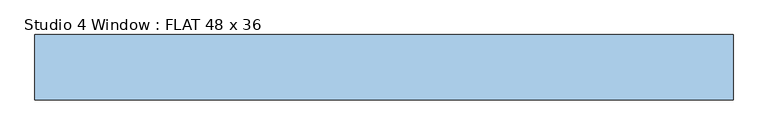
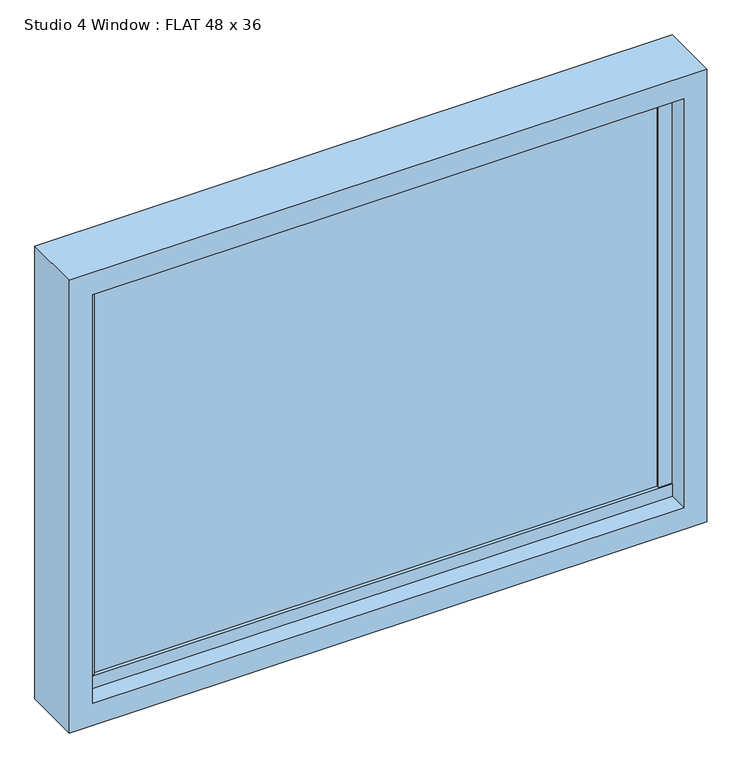
"""IFC4 building model written with IfcOpenShell, lengths in millimetres: window geometry, Studio 4 Window : FLAT 48 x 36."""

from ifc_helpers import new_model, si_unit, frame, origin, place, context, project, spatial, polyline, outline, extrude, faceted_brep, source, transform, mapped, element, save


def studio_4_window_flat_48_x_36_d1e20475(model_context):
    return source(origin(), model_context, "Body", "SolidModel", [
        extrude(outline(polyline([(565.15, 26.95), (539.75, 26.95), (539.75, 61.95), (565.15, 61.95), (565.15, 26.95)])), frame((0.0, 0.0, 863.5), z_axis=(0.0, 0.0, 1.0), x_axis=(1.0, 0.0, 0.0)), (0.0, 0.0, 1.0), 787.4),
        extrude(outline(polyline([(-539.75, 61.95), (-539.75, 26.95), (-565.15, 26.95), (-565.15, 61.95), (-539.75, 61.95)])), frame((0.0, 0.0, 863.5), z_axis=(0.0, 0.0, 1.0), x_axis=(1.0, 0.0, 0.0)), (0.0, 0.0, 1.0), 787.4),
        extrude(outline(polyline([(565.15, 31.75), (-565.15, 31.75), (-565.15, 57.15), (565.15, 57.15), (565.15, 31.75)])), frame((0.0, 0.0, 863.5), z_axis=(0.0, 0.0, 1.0), x_axis=(1.0, 0.0, 0.0)), (0.0, 0.0, 1.0), 787.4),
        faceted_brep([(609.6, -12.7, 1714.4), (-609.6, -12.7, 1714.4), (-609.6, -12.7, 800.0), (609.6, -12.7, 800.0), (565.15, -12.7, 1669.95), (565.15, -12.7, 844.45), (-565.15, -12.7, 844.45), (-565.15, -12.7, 1669.95), (-609.6, 101.6, 1714.4), (-609.6, 101.6, 800.0), (609.6, 101.6, 1714.4), (609.6, 101.6, 800.0), (565.15, 101.6, 1669.95), (-565.15, 101.6, 1669.95), (-565.15, 101.6, 844.45), (565.15, 101.6, 844.45), (-565.15, 24.8474338, 869.8750418), (565.15, 24.8474338, 869.8750418), (565.15, 64.0525662, 869.8750418), (-565.15, 64.0525662, 869.8750418), (-565.15, 24.8474338, 844.45), (565.15, 24.8474338, 844.45), (-565.15, 64.0525662, 844.45), (-565.15, 64.0525662, 1669.95), (-565.15, 64.0525662, 1644.55), (-565.15, 24.8474338, 1644.55), (-565.15, 24.8474338, 1669.95), (565.15, 64.0525662, 844.45), (565.15, 24.8474338, 1669.95), (565.15, 24.8474338, 1644.55), (565.15, 64.0525662, 1644.55), (565.15, 64.0525662, 1669.95)], [[[0, 1, 2, 3], [4, 5, 6, 7]], [[2, 1, 8, 9]], [[10, 11, 9, 8], [12, 13, 14, 15]], [[3, 2, 9, 11]], [[0, 3, 11, 10]], [[16, 17, 18, 19]], [[17, 16, 20, 21]], [[7, 6, 20, 16, 19, 22, 14, 13, 23, 24, 25, 26]], [[6, 5, 21, 20]], [[15, 14, 22, 27]], [[5, 4, 28, 29, 30, 31, 12, 15, 27, 18, 17, 21]], [[19, 18, 27, 22]], [[30, 24, 23, 31]], [[24, 30, 29, 25]], [[25, 29, 28, 26]], [[1, 0, 10, 8]], [[4, 7, 26, 28]], [[13, 12, 31, 23]]]),
    ])


if __name__ == "__main__":
    model = new_model("IFC4")
    model_context = context("Model", 3, world=origin())
    ifc_project = project(units=[si_unit("LENGTHUNIT", "METRE", prefix="MILLI")], contexts=[model_context])
    site = spatial("IfcSite", under=ifc_project)
    building = spatial("IfcBuilding", under=site)
    placement = place(None, origin())
    studio_4_window_flat_48_x_36_shape = studio_4_window_flat_48_x_36_d1e20475(model_context)
    element("IfcWindow", 1, ObjectType="Studio 4 Window : FLAT 48 x 36", at=placement, inside=building, context=model_context, shape_type="MappedRepresentation", body=[
        mapped(studio_4_window_flat_48_x_36_shape, transform((0.0, 0.0, 0.0), x_axis=(1.0, 0.0, 0.0), y_axis=(0.0, 1.0, 0.0), z_axis=(0.0, 0.0, 1.0))),
    ])
    save(model, "model.ifc")
